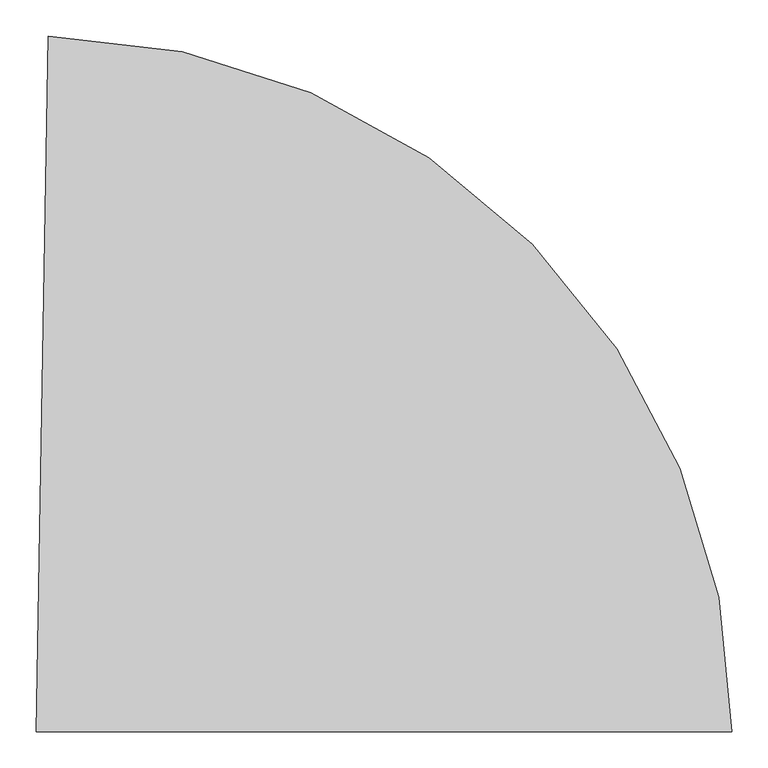
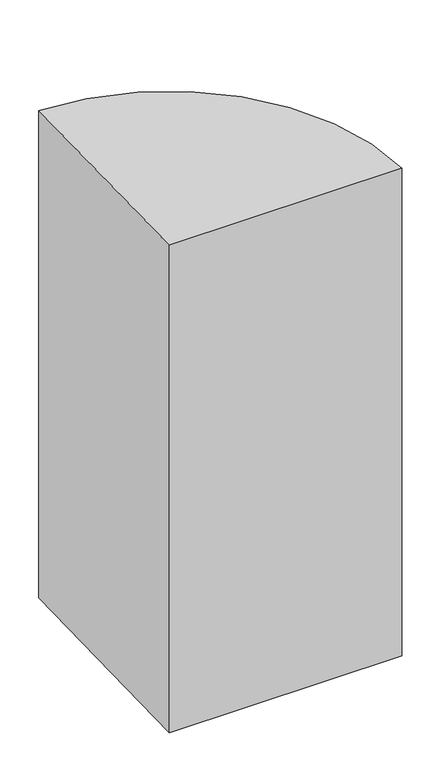
"""IFC4 building model written with IfcOpenShell, lengths in millimetres: proxy geometry."""

from ifc_helpers import new_model, si_unit, point, origin, origin_with_axes, origin_2d, place, context, project, spatial, polyline, circle_curve, trimmed, segment, composite_curve, outline, extrude, source, transform, mapped, element, save


def generic_models_b6b95b14(model_context):
    return source(origin(), model_context, "Body", "SweptSolid", [
        extrude(outline(composite_curve([segment(polyline([(0.0, 0.0), (16.7543102, 959.8537874)]), True, "CONTINUOUS"), segment(trimmed(circle_curve(origin_2d(), 960.0), [point((16.7543102, 959.8537874))], [point((960.0, 0.0))], False, "CARTESIAN"), True, "CONTINUOUS"), segment(polyline([(960.0, 0.0), (0.0, 0.0)]), True, "CONTINUOUS")], self_intersect=False)), origin_with_axes(), (0.0, 0.0, 1.0), 2127.0),
    ])


if __name__ == "__main__":
    model = new_model("IFC4")
    model_context = context("Model", 3, world=origin())
    ifc_project = project(units=[si_unit("LENGTHUNIT", "METRE", prefix="MILLI")], contexts=[model_context])
    site = spatial("IfcSite", under=ifc_project)
    building = spatial("IfcBuilding", under=site)
    placement = place(None, origin())
    generic_models_shape = generic_models_b6b95b14(model_context)
    element("IfcBuildingElementProxy", 1, Name="Generic Models", at=placement, inside=building, context=model_context, shape_type="MappedRepresentation", body=[
        mapped(generic_models_shape, transform((0.0, 0.0, 0.0), x_axis=(1.0, 0.0, 0.0), y_axis=(0.0, 1.0, 0.0), z_axis=(0.0, 0.0, 1.0))),
    ])
    save(model, "model.ifc")
